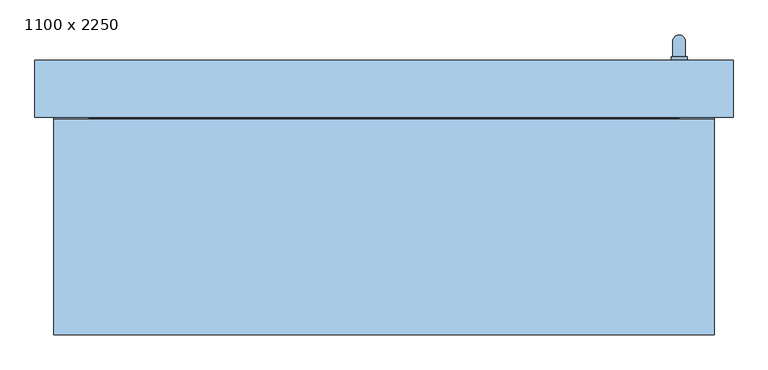
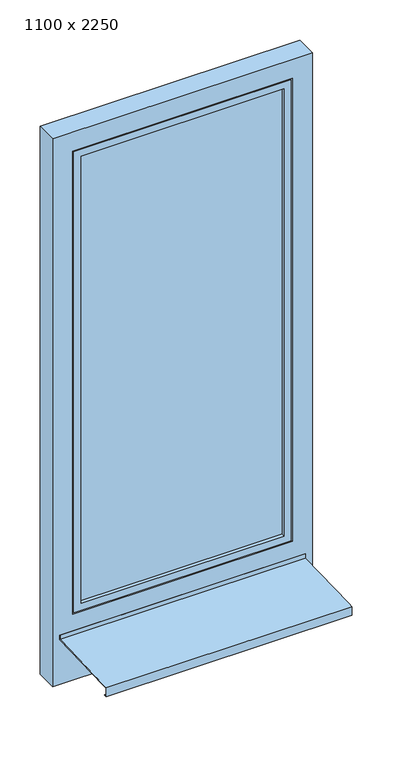
"""IFC4 building model written with IfcOpenShell, lengths in millimetres: window geometry, 1100 x 2250."""

from ifc_helpers import new_model, si_unit, frame, origin, place, context, project, spatial, polyline, circle_curve, ellipse_curve, outline, extrude, faceted_brep, source, transform, mapped, element, save
from ifc_brep_helpers import plane_surface, cylinder_surface, advanced_brep


def window_1100_x_2250_aa5454a0(model_context):
    return source(origin(), model_context, "Body", "SolidModel", [
        advanced_brep(
        [(452.5, 20.0, 1147.5), (452.5, 20.0, 1130.0), (452.5, 20.0, 1112.5), (477.5, 20.0, 1112.5), (477.5, 20.0, 1130.0), (477.5, 20.0, 1147.5), (475.0, 50.0, 1130.0), (455.0, 50.0, 1130.0), (455.0, 26.0, 1130.0), (475.0, 26.0, 1130.0), (475.0, 50.0, 1010.0), (455.0, 50.0, 1010.0), (452.5, 26.0, 1147.5), (477.5, 26.0, 1147.5), (477.5, 26.0, 1130.0), (477.5, 26.0, 1112.5), (452.5, 26.0, 1112.5), (452.5, 26.0, 1130.0)],
        [
            (0, 1),
            (1, 2),
            (2, 3, circle_curve(frame((465.0, 20.0, 1112.5), z_axis=(0.0, -1.0, 0.0), x_axis=(-1.0, 0.0, 0.0)), 12.5)),
            (3, 4),
            (4, 5),
            (5, 0, circle_curve(frame((465.0, 20.0, 1147.5), z_axis=(0.0, -1.0, 0.0), x_axis=(-1.0, 0.0, 0.0)), 12.5)),
            (6, 7, ellipse_curve(frame((465.0, 50.0, 1130.0), z_axis=(0.0, -0.7071067811865498, 0.7071067811865451), x_axis=(0.0, -0.7071067811865452, -0.7071067811865497)), 14.1421356, 10.0)),
            (7, 8),
            (8, 9, circle_curve(frame((465.0, 26.0, 1130.0), z_axis=(0.0, 1.0, 0.0), x_axis=(-1.0, 0.0, 0.0)), 10.0)),
            (9, 6),
            (7, 6, ellipse_curve(frame((465.0, 50.0, 1130.0), z_axis=(0.0, -0.7071067811865498, 0.7071067811865451), x_axis=(0.0, -0.7071067811865452, -0.7071067811865497)), 14.1421356, 10.0)),
            (9, 8, circle_curve(frame((465.0, 26.0, 1130.0), z_axis=(0.0, 1.0, 0.0), x_axis=(-1.0, 0.0, 0.0)), 10.0)),
            (10, 11, circle_curve(frame((465.0, 50.0, 1010.0), z_axis=(0.0, 0.0, -1.0), x_axis=(-1.0, 0.0, 0.0)), 10.0)),
            (11, 10, circle_curve(frame((465.0, 50.0, 1010.0), z_axis=(0.0, 0.0, -1.0), x_axis=(-1.0, 0.0, 0.0)), 10.0)),
            (6, 10),
            (11, 7),
            (12, 13, circle_curve(frame((465.0, 26.0, 1147.5), z_axis=(0.0, 1.0, 0.0), x_axis=(-1.0, 0.0, 0.0)), 12.5)),
            (13, 14),
            (14, 15),
            (15, 16, circle_curve(frame((465.0, 26.0, 1112.5), z_axis=(0.0, 1.0, 0.0), x_axis=(-1.0, 0.0, 0.0)), 12.5)),
            (16, 17),
            (17, 12),
            (12, 0),
            (5, 13),
            (4, 14),
            (3, 15),
            (2, 16),
            (1, 17),
        ],
        [
            plane_surface(frame((465.0, 20.0, 1130.0), z_axis=(0.0, -1.0, 0.0), x_axis=(-1.0, 0.0, 0.0))),
            cylinder_surface(frame((465.0, 20.0, 1130.0), z_axis=(0.0, -1.0, 0.0), x_axis=(-1.0, 0.0, 0.0)), 10.0),
            plane_surface(frame((465.0, 50.0, 1010.0), z_axis=(0.0, 0.0, -1.0), x_axis=(-1.0, 0.0, 0.0))),
            cylinder_surface(frame((465.0, 50.0, 1130.0), z_axis=(0.0, 0.0, 1.0), x_axis=(-1.0, 0.0, 0.0)), 10.0),
            plane_surface(frame((452.5, 26.0, 1147.5), z_axis=(0.0, 1.0, 0.0), x_axis=(0.0, 0.0, 1.0))),
            cylinder_surface(frame((465.0, 20.0, 1147.5), z_axis=(0.0, 1.0, 0.0), x_axis=(-1.0, 0.0, 0.0)), 12.5),
            plane_surface(frame((477.5, 26.0, 1147.5), z_axis=(1.0, 0.0, 0.0), x_axis=(0.0, -1.0, 0.0))),
            plane_surface(frame((477.5, 26.0, 1130.0), z_axis=(1.0, 0.0, 0.0), x_axis=(0.0, -1.0, 0.0))),
            cylinder_surface(frame((465.0, 20.0, 1112.5), z_axis=(0.0, 1.0, 0.0), x_axis=(-1.0, 0.0, 0.0)), 12.5),
            plane_surface(frame((452.5, 26.0, 1112.5), z_axis=(-1.0, 0.0, 0.0), x_axis=(0.0, -1.0, 0.0))),
            plane_surface(frame((452.5, 26.0, 1130.0), z_axis=(-1.0, 0.0, 0.0), x_axis=(0.0, -1.0, 0.0))),
        ],
        [
            (0, [[1, 2, 3, 4, 5, 6]]),
            (1, [[7, 8, 9, 10]]),
            (1, [[11, -10, 12, -8]]),
            (2, [[13, 14]]),
            (3, [[-7, 15, -14, 16]]),
            (3, [[-11, -16, -13, -15]]),
            (4, [[17, 18, 19, 20, 21, 22], [-9, -12]]),
            (5, [[-17, 23, -6, 24]]),
            (6, [[-18, -24, -5, 25]]),
            (7, [[-19, -25, -4, 26]]),
            (8, [[-20, -26, -3, 27]]),
            (9, [[-21, -27, -2, 28]]),
            (10, [[-22, -28, -1, -23]]),
        ],
    ),
        faceted_brep([(-430.0, 20.0, 2130.0), (-430.0, -70.0, 2130.0), (-430.0, -70.0, 130.0), (-430.0, 20.0, 130.0), (-460.0, -70.0, 100.0), (460.0, -70.0, 100.0), (460.0, -70.0, 2160.0), (-460.0, -70.0, 2160.0), (430.0, -70.0, 2130.0), (430.0, -70.0, 130.0), (430.0, 20.0, 130.0), (-500.0, 20.0, 2200.0), (500.0, 20.0, 2200.0), (500.0, 20.0, 60.0), (-500.0, 20.0, 60.0), (430.0, 20.0, 2130.0), (-500.0, 5.0, 2200.0), (-500.0, 5.0, 60.0), (500.0, 5.0, 60.0), (500.0, 5.0, 2200.0), (-485.0, 5.0, 2185.0), (485.0, 5.0, 2185.0), (485.0, 5.0, 75.0), (-485.0, 5.0, 75.0), (-485.0, -25.0, 2185.0), (-485.0, -25.0, 75.0), (485.0, -25.0, 75.0), (485.0, -25.0, 2185.0), (-475.0, -25.0, 2175.0), (475.0, -25.0, 2175.0), (475.0, -25.0, 85.0), (-475.0, -25.0, 85.0), (-475.0, -55.0, 2175.0), (-475.0, -55.0, 85.0), (475.0, -55.0, 85.0), (475.0, -55.0, 2175.0), (-460.0, -55.0, 2160.0), (460.0, -55.0, 2160.0), (460.0, -55.0, 100.0), (-460.0, -55.0, 100.0)], [[[0, 1, 2, 3]], [[4, 5, 6, 7], [1, 8, 9, 2]], [[3, 2, 9, 10]], [[11, 12, 13, 14], [3, 10, 15, 0]], [[16, 11, 14, 17]], [[17, 14, 13, 18]], [[17, 18, 19, 16], [20, 21, 22, 23]], [[24, 20, 23, 25]], [[25, 23, 22, 26]], [[25, 26, 27, 24], [28, 29, 30, 31]], [[32, 28, 31, 33]], [[33, 31, 30, 34]], [[33, 34, 35, 32], [36, 37, 38, 39]], [[7, 36, 39, 4]], [[4, 39, 38, 5]], [[10, 9, 8, 15]], [[18, 13, 12, 19]], [[26, 22, 21, 27]], [[34, 30, 29, 35]], [[5, 38, 37, 6]], [[15, 8, 1, 0]], [[19, 12, 11, 16]], [[27, 21, 20, 24]], [[35, 29, 28, 32]], [[6, 37, 36, 7]]]),
        extrude(outline(polyline([(-430.0, -55.0), (-430.0, -11.0), (430.0, -11.0), (430.0, -55.0), (-430.0, -55.0)])), frame((0.0, 0.0, 130.0), z_axis=(0.0, 0.0, 1.0), x_axis=(1.0, 0.0, 0.0)), (0.0, 0.0, 1.0), 2000.0),
        faceted_brep([(-520.0, -412.0, -8.6874695), (520.0, -412.0, -8.6874695), (520.0, -390.0, -7.9999695), (520.0, -72.0, 1.9375305), (-520.0, -72.0, 1.9375305), (-520.0, -390.0, -7.9999695), (-520.0, -412.0, -48.6874695), (520.0, -412.0, -48.6874695), (-520.0, -400.0, -48.6874695), (520.0, -400.0, -48.6874695), (-520.0, -400.0, -46.6874695), (520.0, -400.0, -46.6874695), (-520.0, -410.0, -46.6874695), (520.0, -410.0, -46.6874695), (-520.0, -410.0, -10.625), (520.0, -410.0, -10.625), (-520.0, -390.0, -10.0), (-520.0, -70.0, 0.0), (520.0, -70.0, 0.0), (520.0, -390.0, -10.0), (-520.0, -70.0, 20.0), (520.0, -70.0, 20.0), (-520.0, -72.0, 20.0), (520.0, -72.0, 20.0)], [[[0, 1, 2, 3, 4, 5]], [[6, 7, 1, 0]], [[8, 9, 7, 6]], [[10, 11, 9, 8]], [[12, 13, 11, 10]], [[14, 15, 13, 12]], [[16, 17, 18, 19, 15, 14]], [[20, 21, 18, 17]], [[22, 23, 21, 20]], [[4, 3, 23, 22]], [[16, 14, 12, 10, 8, 6, 0, 5]], [[19, 18, 21, 23, 3, 2]], [[5, 4, 22, 20, 17, 16]], [[2, 1, 7, 9, 11, 13, 15, 19]]]),
        faceted_brep([(550.0, -70.0, -200.0), (-550.0, -70.0, -200.0), (-550.0, 20.0, -200.0), (550.0, 20.0, -200.0), (550.0, -70.0, 2250.0), (550.0, 20.0, 2250.0), (-550.0, 20.0, 2250.0), (505.0, 20.0, 2205.0), (-505.0, 20.0, 2205.0), (-505.0, 20.0, 55.0), (505.0, 20.0, 55.0), (-550.0, -70.0, 2250.0), (465.0, -70.0, 95.0), (-465.0, -70.0, 95.0), (-465.0, -70.0, 2165.0), (465.0, -70.0, 2165.0), (465.0, -55.0, 2165.0), (465.0, -55.0, 95.0), (-465.0, -55.0, 95.0), (-465.0, -55.0, 2165.0), (505.0, 5.0, 2205.0), (505.0, 5.0, 55.0), (-505.0, 5.0, 55.0), (-505.0, 5.0, 2205.0), (490.0, 5.0, 2190.0), (-490.0, 5.0, 2190.0), (-490.0, 5.0, 70.0), (490.0, 5.0, 70.0), (490.0, -25.0, 70.0), (-490.0, -25.0, 70.0), (-490.0, -25.0, 2190.0), (490.0, -25.0, 2190.0), (480.0, -25.0, 2180.0), (-480.0, -25.0, 2180.0), (-480.0, -25.0, 80.0), (480.0, -25.0, 80.0), (480.0, -55.0, 80.0), (-480.0, -55.0, 80.0), (-480.0, -55.0, 2180.0), (480.0, -55.0, 2180.0)], [[[0, 1, 2, 3]], [[4, 0, 3, 5]], [[5, 3, 2, 6], [7, 8, 9, 10]], [[6, 2, 1, 11]], [[11, 1, 0, 4], [12, 13, 14, 15]], [[12, 15, 16, 17]], [[18, 19, 14, 13]], [[17, 18, 13, 12]], [[20, 7, 10, 21]], [[10, 9, 22, 21]], [[9, 8, 23, 22]], [[21, 22, 23, 20], [24, 25, 26, 27]], [[28, 29, 30, 31], [32, 33, 34, 35]], [[31, 24, 27, 28]], [[27, 26, 29, 28]], [[36, 37, 38, 39], [16, 19, 18, 17]], [[39, 32, 35, 36]], [[35, 34, 37, 36]], [[26, 25, 30, 29]], [[34, 33, 38, 37]], [[4, 5, 6, 11]], [[20, 23, 8, 7]], [[31, 30, 25, 24]], [[39, 38, 33, 32]], [[15, 14, 19, 16]]]),
    ])


if __name__ == "__main__":
    model = new_model("IFC4")
    model_context = context("Model", 3, world=origin())
    ifc_project = project(units=[si_unit("LENGTHUNIT", "METRE", prefix="MILLI")], contexts=[model_context])
    site = spatial("IfcSite", under=ifc_project)
    building = spatial("IfcBuilding", under=site)
    placement = place(None, origin())
    window_1100_x_2250_shape = window_1100_x_2250_aa5454a0(model_context)
    element("IfcWindow", 1, ObjectType="1100 x 2250", at=placement, inside=building, context=model_context, shape_type="MappedRepresentation", body=[
        mapped(window_1100_x_2250_shape, transform((0.0, 0.0, 0.0), x_axis=(1.0, 0.0, 0.0), y_axis=(0.0, 1.0, 0.0), z_axis=(0.0, 0.0, 1.0))),
    ])
    save(model, "model.ifc")
